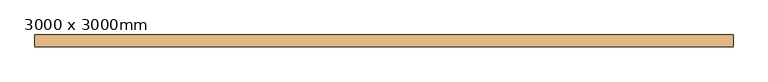
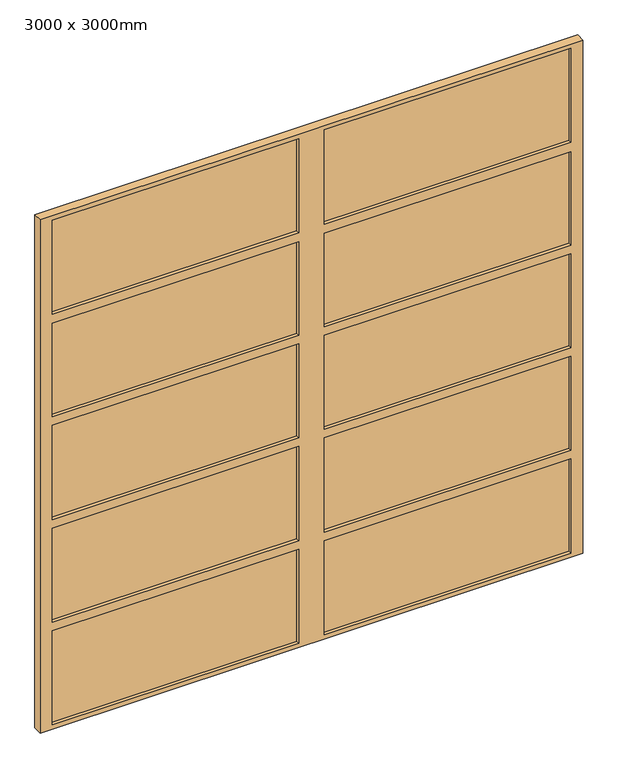
"""IFC4 building model written with IfcOpenShell, lengths in millimetres: door geometry, 3000 x 3000mm."""

from ifc_helpers import new_model, si_unit, frame, origin, place, context, project, spatial, polyline, outline, extrude, source, transform, mapped, element, save


def door_3000_x_3000mm_4dac6ffb(model_context):
    return source(origin(), model_context, "Body", "SweptSolid", [
        extrude(outline(polyline([(71.6262918, -110.75), (1434.1262918, -110.75), (1434.1262918, -123.25), (71.6262918, -123.25), (71.6262918, -110.75)])), frame((0.0, 0.0, 625.0), z_axis=(0.0, 0.0, 1.0), x_axis=(1.0, 0.0, 0.0)), (0.0, 0.0, 1.0), 550.0),
        extrude(outline(polyline([(-1434.1262918, -110.75), (-71.6262918, -110.75), (-71.6262918, -123.25), (-1434.1262918, -123.25), (-1434.1262918, -110.75)])), frame((0.0, 0.0, 625.0), z_axis=(0.0, 0.0, 1.0), x_axis=(1.0, 0.0, 0.0)), (0.0, 0.0, 1.0), 550.0),
        extrude(outline(polyline([(71.6262918, -110.75), (1434.1262918, -110.75), (1434.1262918, -123.25), (71.6262918, -123.25), (71.6262918, -110.75)])), frame((0.0, 0.0, 25.0), z_axis=(0.0, 0.0, 1.0), x_axis=(1.0, 0.0, 0.0)), (0.0, 0.0, 1.0), 550.0),
        extrude(outline(polyline([(-1434.1262918, -110.75), (-71.6262918, -110.75), (-71.6262918, -123.25), (-1434.1262918, -123.25), (-1434.1262918, -110.75)])), frame((0.0, 0.0, 25.0), z_axis=(0.0, 0.0, 1.0), x_axis=(1.0, 0.0, 0.0)), (0.0, 0.0, 1.0), 550.0),
        extrude(outline(polyline([(-1434.1262918, -110.75), (-71.6262918, -110.75), (-71.6262918, -123.25), (-1434.1262918, -123.25), (-1434.1262918, -110.75)])), frame((0.0, 0.0, 2425.0), z_axis=(0.0, 0.0, 1.0), x_axis=(1.0, 0.0, 0.0)), (0.0, 0.0, 1.0), 550.0),
        extrude(outline(polyline([(71.6262918, -110.75), (1434.1262918, -110.75), (1434.1262918, -123.25), (71.6262918, -123.25), (71.6262918, -110.75)])), frame((0.0, 0.0, 2425.0), z_axis=(0.0, 0.0, 1.0), x_axis=(1.0, 0.0, 0.0)), (0.0, 0.0, 1.0), 550.0),
        extrude(outline(polyline([(71.6262918, -110.75), (1434.1262918, -110.75), (1434.1262918, -123.25), (71.6262918, -123.25), (71.6262918, -110.75)])), frame((0.0, 0.0, 1825.0), z_axis=(0.0, 0.0, 1.0), x_axis=(1.0, 0.0, 0.0)), (0.0, 0.0, 1.0), 546.375212),
        extrude(outline(polyline([(-1434.1262918, -110.75), (-71.6262918, -110.75), (-71.6262918, -123.25), (-1434.1262918, -123.25), (-1434.1262918, -110.75)])), frame((0.0, 0.0, 1825.0), z_axis=(0.0, 0.0, 1.0), x_axis=(1.0, 0.0, 0.0)), (0.0, 0.0, 1.0), 546.375212),
        extrude(outline(polyline([(-1434.1262918, -110.75), (-71.6262918, -110.75), (-71.6262918, -123.25), (-1434.1262918, -123.25), (-1434.1262918, -110.75)])), frame((0.0, 0.0, 1225.0), z_axis=(0.0, 0.0, 1.0), x_axis=(1.0, 0.0, 0.0)), (0.0, 0.0, 1.0), 550.0),
        extrude(outline(polyline([(71.6262918, -110.75), (1434.1262918, -110.75), (1434.1262918, -123.25), (71.6262918, -123.25), (71.6262918, -110.75)])), frame((0.0, 0.0, 1225.0), z_axis=(0.0, 0.0, 1.0), x_axis=(1.0, 0.0, 0.0)), (0.0, 0.0, 1.0), 550.0),
        extrude(outline(polyline([(3000.0, 1500.0), (3000.0, -1500.0), (0.0, -1500.0), (0.0, 1500.0), (3000.0, 1500.0)]), holes=[polyline([(1175.0, -71.6262918), (625.0, -71.6262918), (625.0, -1434.1262918), (1175.0, -1434.1262918), (1175.0, -71.6262918)]), polyline([(575.0, -71.6262918), (25.0, -71.6262918), (25.0, -1434.1262918), (575.0, -1434.1262918), (575.0, -71.6262918)]), polyline([(1175.0, 71.6262918), (1175.0, 1434.1262918), (625.0, 1434.1262918), (625.0, 71.6262918), (1175.0, 71.6262918)]), polyline([(575.0, 71.6262918), (575.0, 1434.1262918), (25.0, 1434.1262918), (25.0, 71.6262918), (575.0, 71.6262918)]), polyline([(2371.375212, -71.6262918), (1825.0, -71.6262918), (1825.0, -1434.1262918), (2371.375212, -1434.1262918), (2371.375212, -71.6262918)]), polyline([(2371.375212, 71.6262918), (2371.375212, 1434.1262918), (1825.0, 1434.1262918), (1825.0, 71.6262918), (2371.375212, 71.6262918)]), polyline([(2975.0, -71.6262918), (2425.0, -71.6262918), (2425.0, -1434.1262918), (2975.0, -1434.1262918), (2975.0, -71.6262918)]), polyline([(2975.0, 71.6262918), (2975.0, 1434.1262918), (2425.0, 1434.1262918), (2425.0, 71.6262918), (2975.0, 71.6262918)]), polyline([(1775.0, -71.6262918), (1225.0, -71.6262918), (1225.0, -1434.1262918), (1775.0, -1434.1262918), (1775.0, -71.6262918)]), polyline([(1775.0, 71.6262918), (1775.0, 1434.1262918), (1225.0, 1434.1262918), (1225.0, 71.6262918), (1775.0, 71.6262918)])]), frame((0.0, -142.0, 0.0), z_axis=(0.0, 1.0, 0.0), x_axis=(0.0, 0.0, 1.0)), (0.0, 0.0, 1.0), 50.0),
    ])


if __name__ == "__main__":
    model = new_model("IFC4")
    model_context = context("Model", 3, world=origin())
    ifc_project = project(units=[si_unit("LENGTHUNIT", "METRE", prefix="MILLI")], contexts=[model_context])
    site = spatial("IfcSite", under=ifc_project)
    building = spatial("IfcBuilding", under=site)
    placement = place(None, origin())
    door_3000_x_3000mm_shape = door_3000_x_3000mm_4dac6ffb(model_context)
    element("IfcDoor", 1, ObjectType="3000 x 3000mm", at=placement, inside=building, context=model_context, shape_type="MappedRepresentation", body=[
        mapped(door_3000_x_3000mm_shape, transform((0.0, 0.0, 0.0), x_axis=(1.0, 0.0, 0.0), y_axis=(0.0, 1.0, 0.0), z_axis=(0.0, 0.0, 1.0))),
    ])
    save(model, "model.ifc")
